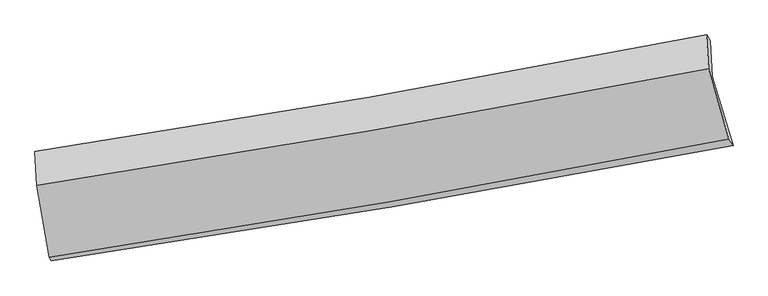
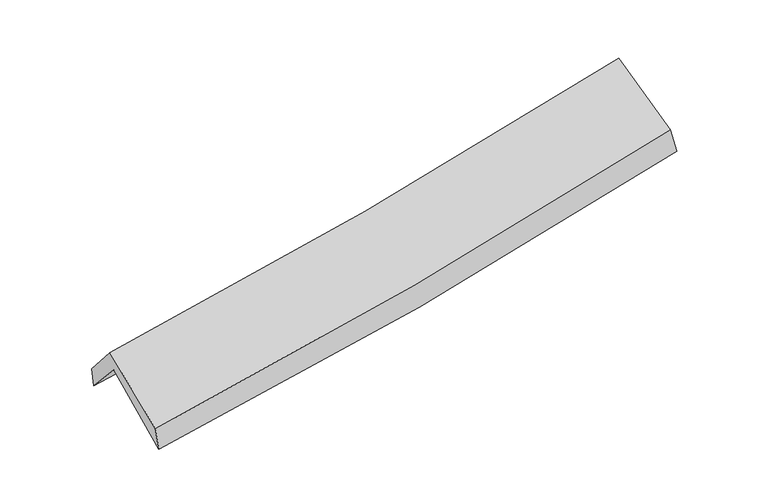
"""IFC4 building model written with IfcOpenShell, lengths in millimetres: proxy geometry."""

from ifc_helpers import new_model, si_unit, frame, origin, place, context, project, spatial, source, transform, mapped, element, save
from ifc_brep_helpers import plane_surface, spline_curve, spline_surface, advanced_brep


def generic_models_ec026140(model_context):
    return source(origin(), model_context, "Body", "AdvancedBrep", [
        advanced_brep(
        [(-2366.3371701, -2499.1734424, 1477.0157244), (-2456.3539669, -1992.6932012, 1921.3370974), (2394.6693978, -1168.5933819, 2379.273502), (2544.0550618, -1666.1883008, 1946.4781916), (-2472.7774473, -1721.2512194, 1616.7444914), (2380.6088028, -909.5699234, 2061.1301634), (-2482.9438385, -1710.0640006, 1766.0442745), (2352.9394348, -868.8576851, 2228.3162944), (-2468.890573, -1956.1079811, 2056.3535994), (2367.488282, -1111.6079059, 2514.7711136), (-2379.6988411, -2474.5773763, 1651.9303185), (2514.015026, -1619.1532406, 2123.1942383)],
        [
            (0, 1),
            (1, 2, spline_curve(3, [(-2456.3539669, -1992.6932012, 1921.3370974), (-1645.624607346, -1877.742672134, 1965.919918416), (-838.013670603, -1751.99009925, 2026.103479815), (779.057117479, -1477.50838792, 2178.433773587), (1588.453969272, -1328.561021091, 2270.895680381), (2394.6693978, -1168.5933819, 2379.273502)], [4, 2, 4], [0.0, 8.118092000088149, 16.31777699149611])),
            (2, 3),
            (3, 0, spline_curve(3, [(2544.0550618, -1666.1883008, 1946.4781916), (1728.01872679, -1822.562264597, 1837.699369033), (908.738969731, -1970.469645272, 1744.067829985), (-728.122668822, -2247.963699824, 1587.880294398), (-1545.640322207, -2377.718033152, 1525.024344791), (-2366.3371701, -2499.1734424, 1477.0157244)], [4, 2, 4], [0.0, 8.199684991407961, 16.31777699149611])),
            (1, 4),
            (4, 5, spline_curve(3, [(-2472.7774473, -1721.2512194, 1616.7444914), (-1661.798239128, -1609.32472156, 1659.17146119), (-853.866810458, -1486.116278253, 1717.15374422), (763.990178938, -1215.783770178, 1864.96804468), (1573.854167126, -1068.431781402, 1955.114319057), (2380.6088028, -909.5699234, 2061.1301634)], [4, 2, 4], [0.0, 8.067950456255911, 16.21698994322727])),
            (5, 2),
            (4, 6),
            (6, 7, spline_curve(3, [(-2482.9438385, -1710.0640006, 1766.0442745), (-1676.447245851, -1587.074483915, 1822.020613909), (-872.212363761, -1455.87099779, 1888.287116854), (739.794419739, -1175.634835678, 2042.169903001), (1547.520628493, -1026.436216657, 2129.994073275), (2352.9394348, -868.8576851, 2228.3162944)], [4, 2, 4], [0.0, 8.057716399043397, 16.19641896875319])),
            (7, 5),
            (6, 8),
            (8, 9, spline_curve(3, [(-2468.890573, -1956.1079811, 2056.3535994), (-1662.36917095, -1831.466109888, 2110.43125795), (-858.080935314, -1699.160573294, 2175.425669165), (754.09046542, -1417.815373909, 2328.010961092), (1561.928514742, -1268.620885037, 2415.822388148), (2367.488282, -1111.6079059, 2514.7711136)], [4, 2, 4], [0.0, 8.049022877068575, 16.178944548303868])),
            (9, 7),
            (8, 10),
            (10, 11, spline_curve(3, [(-2379.6988411, -2474.5773763, 1651.9303185), (-1562.436729391, -2348.169376546, 1706.67736625), (-748.021030556, -2214.075102944, 1773.068000181), (883.274430174, -1929.089006658, 1929.920743608), (1700.096686669, -1778.041901424, 2020.618082749), (2514.015026, -1619.1532406, 2123.1942383)], [4, 2, 4], [0.0, 8.09806155978047, 16.277514789740003])),
            (11, 9),
            (10, 0),
            (3, 11),
        ],
        [
            spline_surface(3, 3, [[(-2366.3371701, -2499.1734424, 1477.0157244), (-1545.64032225, -2377.718033094, 1525.024344711), (-728.122668766, -2247.963699823, 1587.88029452), (908.738969674, -1970.469645273, 1744.067829861), (1728.018726793, -1822.56226468, 1837.699369125), (2544.0550618, -1666.1883008, 1946.4781916)], [(-2396.342769027, -2330.346695337, 1625.122848727), (-1578.968417267, -2211.059579409, 1671.98953593), (-764.753002739, -2082.639166243, 1733.954689643), (865.511685649, -1806.149226184, 1888.856477756), (1681.497140918, -1657.895183517, 1982.098139493), (2494.259840454, -1500.323327835, 2090.743295059)], [(-2426.348367973, -2161.519948263, 1773.229973073), (-1612.296512303, -2044.401125713, 1818.954727166), (-801.383336731, -1917.314632705, 1880.029084749), (822.284401605, -1641.828807135, 2033.645125635), (1634.97555508, -1493.22810235, 2126.496909885), (2444.464619146, -1334.458354865, 2235.008398541)], [(-2456.3539669, -1992.6932012, 1921.3370974), (-1645.62460732, -1877.742672028, 1965.919918385), (-838.013670704, -1751.990099126, 2026.103479872), (779.057117581, -1477.508388046, 2178.43377353), (1588.453969205, -1328.561021188, 2270.895680253), (2394.6693978, -1168.5933819, 2379.273502)]], [4, 4], [4, 2, 4], [0.0, 2.1988775487529346], [0.0, 8.118092000088149, 16.31777699149611]),
            spline_surface(3, 3, [[(-2456.3539669, -1992.6932012, 1921.3370974), (-1645.62460732, -1877.742672028, 1965.919918385), (-838.013670704, -1751.990099126, 2026.103479872), (779.057117581, -1477.508388046, 2178.43377353), (1588.453969205, -1328.561021188, 2270.895680253), (2394.6693978, -1168.5933819, 2379.273502)], [(-2461.828460378, -1902.212540591, 1819.806228726), (-1651.015817913, -1788.270021859, 1863.670432673), (-843.298050679, -1663.36549217, 1923.12023464), (774.034804708, -1390.266848754, 2073.945197262), (1583.58736854, -1241.851274603, 2165.635226552), (2389.9825328, -1082.252229054, 2273.225722469)], [(-2467.302953822, -1811.731880009, 1718.275360074), (-1656.407028473, -1698.797371715, 1761.420946982), (-848.58243058, -1574.740885214, 1820.136989407), (769.012491909, -1303.025309463, 1969.456620994), (1578.720767875, -1155.141528057, 2060.374772845), (2385.2956678, -995.911076246, 2167.177942931)], [(-2472.7774473, -1721.2512194, 1616.7444914), (-1661.798239065, -1609.324721545, 1659.17146127), (-853.866810555, -1486.116278259, 1717.153744175), (763.990179036, -1215.783770172, 1864.968044726), (1573.85416721, -1068.431781473, 1955.114319144), (2380.6088028, -909.5699234, 2061.1301634)]], [4, 4], [4, 2, 4], [0.0, 1.3394601060920348], [0.0, 8.067950456255911, 16.21698994322727]),
            spline_surface(3, 3, [[(-2472.7774473, -1721.2512194, 1616.7444914), (-1661.798239065, -1609.324721545, 1659.17146127), (-853.866810555, -1486.116278259, 1717.153744175), (763.990179036, -1215.783770172, 1864.968044726), (1573.85416721, -1068.431781473, 1955.114319144), (2380.6088028, -909.5699234, 2061.1301634)], [(-2476.166244377, -1717.522146473, 1666.511085774), (-1666.68124135, -1601.90797566, 1713.454512173), (-859.981994917, -1476.03451812, 1774.19820179), (755.924925948, -1202.400792011, 1924.035330783), (1565.076321005, -1054.433259845, 2013.407570474), (2371.385680141, -895.999177309, 2116.858873725)], [(-2479.555041423, -1713.793073527, 1716.277680126), (-1671.564243604, -1594.491229756, 1767.737563054), (-866.097179355, -1465.952757949, 1831.242659372), (747.859672783, -1189.017813819, 1983.102616808), (1556.298474777, -1040.43473819, 2071.700821827), (2362.162557459, -882.428431191, 2172.587584075)], [(-2482.9438385, -1710.0640006, 1766.0442745), (-1676.447245889, -1587.074483871, 1822.020613957), (-872.212363717, -1455.87099781, 1888.287116988), (739.794419695, -1175.634835658, 2042.169902866), (1547.520628572, -1026.436216562, 2129.994073156), (2352.9394348, -868.8576851, 2228.3162944)]], [4, 4], [4, 2, 4], [0.0, 0.587268344217301], [0.0, 8.057716399043397, 16.19641896875319]),
            spline_surface(3, 3, [[(-2482.9438385, -1710.0640006, 1766.0442745), (-1676.447245889, -1587.074483871, 1822.020613957), (-872.212363717, -1455.87099781, 1888.287116988), (739.794419695, -1175.634835658, 2042.169902866), (1547.520628572, -1026.436216562, 2129.994073156), (2352.9394348, -868.8576851, 2228.3162944)], [(-2478.259416636, -1792.078660761, 1862.814049473), (-1671.754554176, -1668.538359175, 1918.157495322), (-867.501887574, -1536.967523022, 1983.999967707), (744.559768238, -1256.361681729, 2137.450255616), (1552.323257303, -1107.16443943, 2225.270178145), (2357.789050519, -949.774425377, 2323.801234149)], [(-2473.574994864, -1874.093320939, 1959.583824427), (-1667.061862557, -1750.002234497, 2014.294376669), (-862.791411396, -1618.064048177, 2079.712818424), (749.325116815, -1337.088527742, 2232.730608364), (1557.125886076, -1187.892662265, 2320.546283085), (2362.638666281, -1030.691165623, 2419.286173851)], [(-2468.890573, -1956.1079811, 2056.3535994), (-1662.369170844, -1831.466109801, 2110.431258035), (-858.080935253, -1699.16057339, 2175.425669144), (754.090465358, -1417.815373812, 2328.010961114), (1561.928514807, -1268.620885133, 2415.822388073), (2367.488282, -1111.6079059, 2514.7711136)]], [4, 4], [4, 2, 4], [0.0, 1.2327945621206027], [0.0, 8.049022877068575, 16.178944548303868]),
            spline_surface(3, 3, [[(-2468.890573, -1956.1079811, 2056.3535994), (-1662.369170844, -1831.466109801, 2110.431258035), (-858.080935253, -1699.16057339, 2175.425669144), (754.090465358, -1417.815373812, 2328.010961114), (1561.928514807, -1268.620885133, 2415.822388073), (2367.488282, -1111.6079059, 2514.7711136)], [(-2439.159995727, -2128.931112847, 1921.545839082), (-1629.058357048, -2003.70053203, 1975.846627442), (-821.394300302, -1870.79874991, 2041.306446163), (797.151786926, -1588.239918073, 2195.314221907), (1607.984572126, -1438.427890592, 2284.087619657), (2416.330529995, -1280.789684119, 2384.245488488)], [(-2409.429418373, -2301.754244553, 1786.738078818), (-1595.747543173, -2175.934954216, 1841.261996902), (-784.707665373, -2042.436926458, 1907.187223229), (840.213108471, -1758.664462362, 2062.617482747), (1654.040629459, -1608.234896095, 2152.352851275), (2465.172778005, -1449.971462381, 2253.719863412)], [(-2379.6988411, -2474.5773763, 1651.9303185), (-1562.436729378, -2348.169376444, 1706.67736631), (-748.021030421, -2214.075102979, 1773.068000248), (883.274430039, -1929.089006623, 1929.92074354), (1700.096686778, -1778.041901554, 2020.618082858), (2514.015026, -1619.1532406, 2123.1942383)]], [4, 4], [4, 2, 4], [0.0, 2.1706697676246156], [0.0, 8.09806155978047, 16.277514789740003]),
            spline_surface(3, 3, [[(-2379.6988411, -2474.5773763, 1651.9303185), (-1562.436729378, -2348.169376444, 1706.67736631), (-748.021030421, -2214.075102979, 1773.068000248), (883.274430039, -1929.089006623, 1929.92074354), (1700.096686778, -1778.041901554, 2020.618082858), (2514.015026, -1619.1532406, 2123.1942383)], [(-2375.244950756, -2482.77606499, 1593.625453817), (-1556.837926991, -2358.018928651, 1646.126359127), (-741.388243206, -2225.371301919, 1711.338765004), (891.762609914, -1942.882552833, 1867.969772313), (1709.404033473, -1792.882022601, 1959.64517829), (2524.02837129, -1634.831594005, 2064.288889409)], [(-2370.791060444, -2490.97475371, 1535.320589083), (-1551.239124636, -2367.868480887, 1585.575351893), (-734.755455981, -2236.667500882, 1649.609529764), (900.250789799, -1956.676099064, 1806.018801089), (1718.711380098, -1807.722143633, 1898.672273693), (2534.04171651, -1650.509947395, 2005.383540491)], [(-2366.3371701, -2499.1734424, 1477.0157244), (-1545.64032225, -2377.718033094, 1525.024344711), (-728.122668766, -2247.963699823, 1587.88029452), (908.738969674, -1970.469645273, 1744.067829861), (1728.018726793, -1822.56226468, 1837.699369125), (2544.0550618, -1666.1883008, 1946.4781916)]], [4, 4], [4, 2, 4], [0.0, 0.6255471863179078], [0.0, 8.156956111064801, 16.395895827286942]),
            plane_surface(frame((2425.6293342, -1223.9950729, 2208.8605839), z_axis=(0.9744868918331646, 0.1932010454464716, 0.1142307037697334), x_axis=(0.22282896579537767, -0.7718440943946234, -0.5954863104645699))),
            plane_surface(frame((-2437.8336395, -2058.9778702, 1748.2375843), z_axis=(-0.9904447094386698, -0.12508852539424803, -0.05807011589140923), x_axis=(-0.07542996102957242, 0.1388509192261754, 0.9874364502129357))),
        ],
        [
            (0, [[1, 2, 3, 4]]),
            (1, [[5, 6, 7, -2]]),
            (2, [[8, 9, 10, -6]]),
            (3, [[11, 12, 13, -9]]),
            (4, [[14, 15, 16, -12]]),
            (5, [[17, -4, 18, -15]]),
            (6, [[-16, -18, -3, -7, -10, -13]]),
            (7, [[-17, -14, -11, -8, -5, -1]]),
        ],
    ),
    ])


if __name__ == "__main__":
    model = new_model("IFC4")
    model_context = context("Model", 3, world=origin())
    ifc_project = project(units=[si_unit("LENGTHUNIT", "METRE", prefix="MILLI")], contexts=[model_context])
    site = spatial("IfcSite", under=ifc_project)
    building = spatial("IfcBuilding", under=site)
    placement = place(None, origin())
    generic_models_shape = generic_models_ec026140(model_context)
    element("IfcBuildingElementProxy", 1, Name="Generic Models", at=placement, inside=building, context=model_context, shape_type="MappedRepresentation", body=[
        mapped(generic_models_shape, transform((0.0, 0.0, 0.0), x_axis=(1.0, 0.0, 0.0), y_axis=(0.0, 1.0, 0.0), z_axis=(0.0, 0.0, 1.0))),
    ])
    save(model, "model.ifc")
